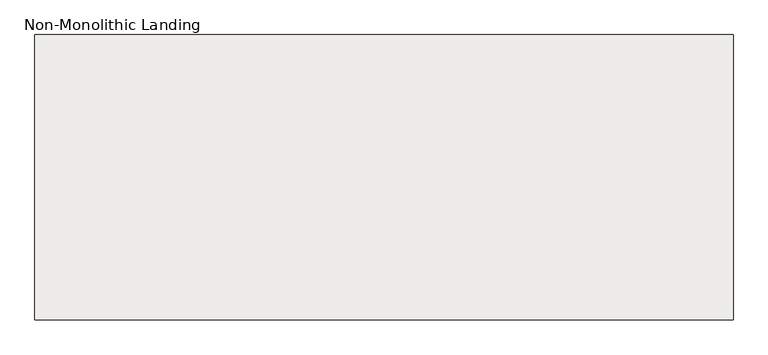
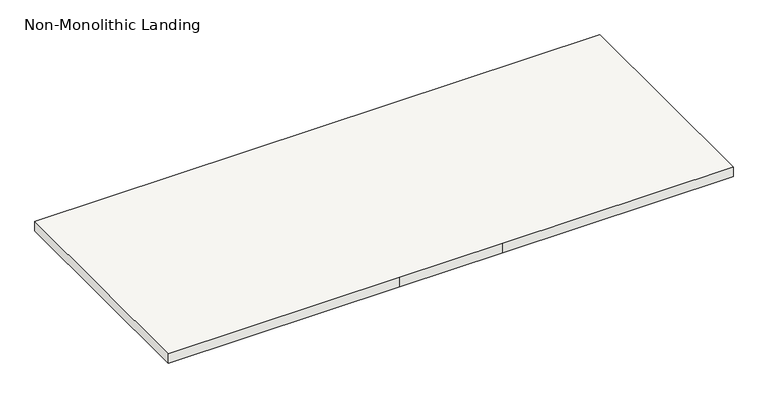
"""IFC4 building model written with IfcOpenShell, lengths in millimetres: slab geometry, Non-Monolithic Landing."""

from ifc_helpers import new_model, si_unit, frame, origin, place, context, project, spatial, polyline, outline, extrude, source, transform, mapped, element, save


def non_monolithic_landing_b28f221a(model_context):
    return source(origin(), model_context, "Body", "SweptSolid", [
        extrude(outline(polyline([(14679.6955357, 7958.6449078), (14679.6955357, 9158.6449078), (17613.6731966, 9158.6449078), (17613.6731966, 7958.6449078), (16413.6731966, 7958.6449078), (15879.6955357, 7958.6449078), (14679.6955357, 7958.6449078)])), frame((0.0, 0.0, 2768.9655172), z_axis=(0.0, 0.0, 1.0), x_axis=(1.0, 0.0, 0.0)), (0.0, 0.0, 1.0), 50.0),
    ])


if __name__ == "__main__":
    model = new_model("IFC4")
    model_context = context("Model", 3, world=origin())
    ifc_project = project(units=[si_unit("LENGTHUNIT", "METRE", prefix="MILLI")], contexts=[model_context])
    site = spatial("IfcSite", under=ifc_project)
    building = spatial("IfcBuilding", under=site)
    placement = place(None, origin())
    non_monolithic_landing_shape = non_monolithic_landing_b28f221a(model_context)
    element("IfcSlab", 1, ObjectType="Non-Monolithic Landing", at=placement, inside=building, context=model_context, shape_type="MappedRepresentation", body=[
        mapped(non_monolithic_landing_shape, transform((0.0, 0.0, 0.0), x_axis=(1.0, 0.0, 0.0), y_axis=(0.0, 1.0, 0.0), z_axis=(0.0, 0.0, 1.0))),
    ])
    save(model, "model.ifc")
